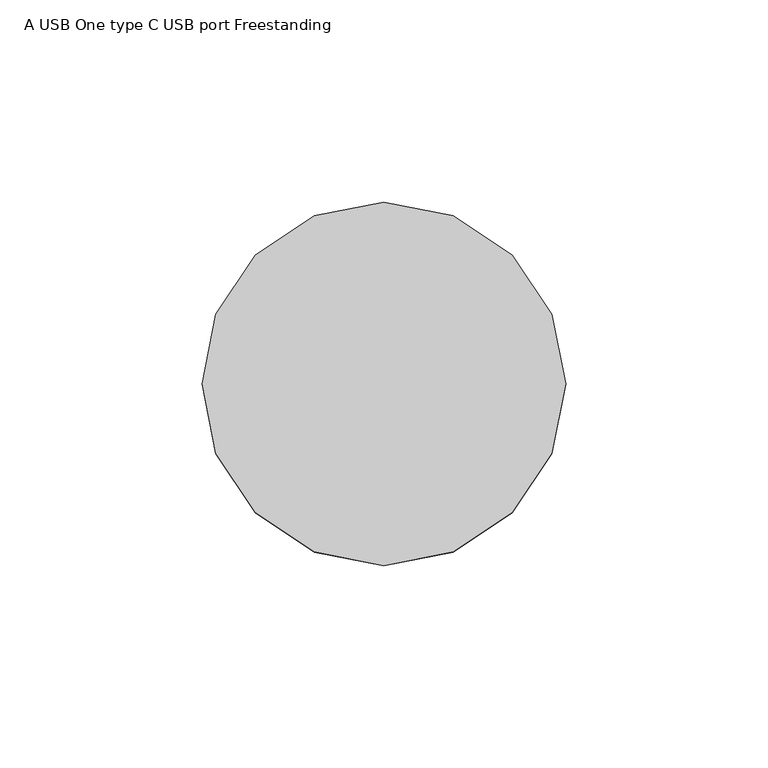
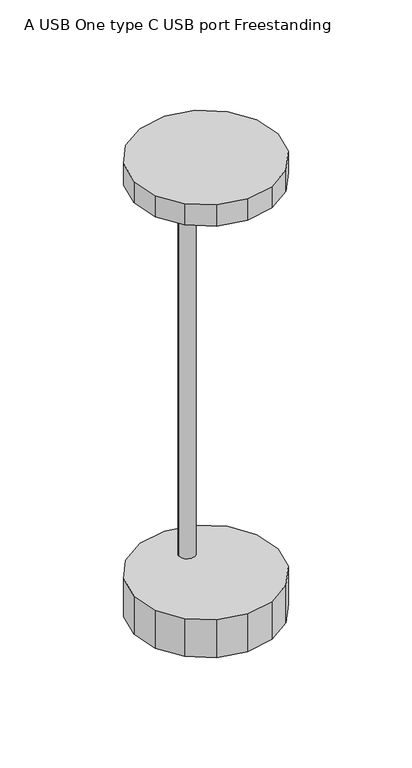
"""IFC4 building model written with IfcOpenShell, lengths in millimetres: furniture geometry, A USB One type C USB port Freestanding."""

from ifc_helpers import new_model, si_unit, point, frame, frame_2d, origin, origin_with_axes, place, context, project, spatial, polyline, circle_curve, trimmed, segment, composite_curve, outline, extrude, source, transform, mapped, element, save


def a_usb_one_type_c_usb_port_freestanding_e7c3c850(model_context):
    return source(origin(), model_context, "Body", "SweptSolid", [
        extrude(outline(composite_curve([segment(trimmed(circle_curve(frame_2d((0.0, 20.4271824)), 4.9952932), [point((-4.9952932, 20.4271824))], [point((4.9952932, 20.4271824))], False, "CARTESIAN"), True, "CONTINUOUS"), segment(trimmed(circle_curve(frame_2d((0.0, 20.4271824)), 4.9952932), [point((4.9952932, 20.4271824))], [point((-4.9952932, 20.4271824))], False, "CARTESIAN"), True, "CONTINUOUS")], self_intersect=False)), frame((0.0, 0.0, 25.1703772), z_axis=(0.0, 0.0, 1.0), x_axis=(1.0, 0.0, 0.0)), (0.0, 0.0, 1.0), 259.7162307),
        extrude(outline(polyline([(-17.2207549, 41.5745801), (0.0, 45.0000013), (17.2207549, 41.5745801), (31.819806, 31.819806), (41.5745801, 17.2207549), (45.0000013, 0.0), (41.5745801, -17.2207549), (31.819806, -31.819806), (17.2207549, -41.5745801), (0.0, -45.0000013), (-17.2207549, -41.5745801), (-31.819806, -31.819806), (-41.5745801, -17.2207549), (-45.0000013, 0.0), (-41.5745801, 17.2207549), (-31.819806, 31.819806), (-17.2207549, 41.5745801)])), origin_with_axes(), (0.0, 0.0, 1.0), 25.0000002),
        extrude(outline(polyline([(-17.2207549, 41.5745801), (0.0, 45.0000013), (17.2207549, 41.5745801), (31.819806, 31.819806), (41.5745801, 17.2207549), (45.0000013, 0.0), (41.5745801, -17.2207549), (31.819806, -31.819806), (17.2207549, -41.5745801), (0.0, -45.0000013), (-17.2207549, -41.5745801), (-31.819806, -31.819806), (-41.5745801, -17.2207549), (-45.0000013, 0.0), (-41.5745801, 17.2207549), (-31.819806, 31.819806), (-17.2207549, 41.5745801)])), frame((0.0, 0.0, 284.8866079), z_axis=(0.0, 0.0, 1.0), x_axis=(1.0, 0.0, 0.0)), (0.0, 0.0, 1.0), 13.9999994),
    ])


if __name__ == "__main__":
    model = new_model("IFC4")
    model_context = context("Model", 3, world=origin())
    ifc_project = project(units=[si_unit("LENGTHUNIT", "METRE", prefix="MILLI")], contexts=[model_context])
    site = spatial("IfcSite", under=ifc_project)
    building = spatial("IfcBuilding", under=site)
    placement = place(None, origin())
    a_usb_one_type_c_usb_port_freestanding_shape = a_usb_one_type_c_usb_port_freestanding_e7c3c850(model_context)
    element("IfcFurniture", 1, ObjectType="A USB One type C USB port Freestanding", at=placement, inside=building, context=model_context, shape_type="MappedRepresentation", body=[
        mapped(a_usb_one_type_c_usb_port_freestanding_shape, transform((0.0, 0.0, 0.0), x_axis=(1.0, 0.0, 0.0), y_axis=(0.0, 1.0, 0.0), z_axis=(0.0, 0.0, 1.0))),
    ])
    save(model, "model.ifc")
